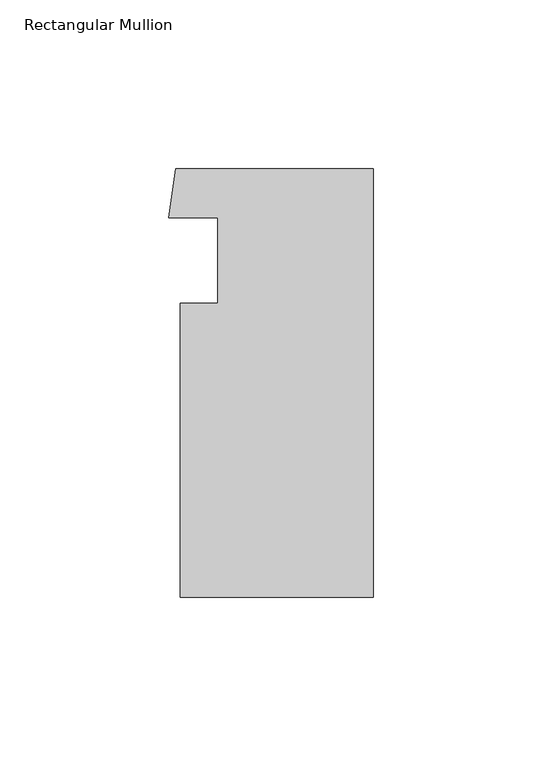
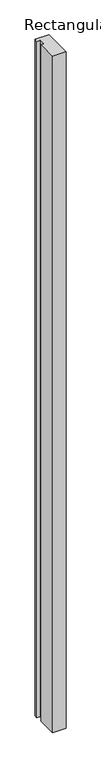
"""IFC4 building model written with IfcOpenShell, lengths in millimetres: member geometry, Rectangular Mullion."""

from ifc_helpers import new_model, si_unit, frame, origin, place, context, project, spatial, polyline, outline, extrude, source, transform, mapped, element, save


def rectangular_mullion_2ebcc153(model_context):
    return source(origin(), model_context, "Body", "SweptSolid", [
        extrude(outline(polyline([(-57.15, 20.8552434), (-46.0375, 20.8552434), (-46.0375, 46.217072), (-60.5514101, 46.217072), (-58.4903823, 60.7587684), (0.0, 60.7587684), (0.0, -66.2412316), (-57.15, -66.2412316), (-57.15, 20.8552434)])), frame((0.0, 0.0, -3048.0), z_axis=(0.0, 0.0, 1.0), x_axis=(1.0, 0.0, 0.0)), (0.0, 0.0, 1.0), 3048.0),
    ])


if __name__ == "__main__":
    model = new_model("IFC4")
    model_context = context("Model", 3, world=origin())
    ifc_project = project(units=[si_unit("LENGTHUNIT", "METRE", prefix="MILLI")], contexts=[model_context])
    site = spatial("IfcSite", under=ifc_project)
    building = spatial("IfcBuilding", under=site)
    placement = place(None, origin())
    rectangular_mullion_shape = rectangular_mullion_2ebcc153(model_context)
    element("IfcMember", 1, ObjectType="Rectangular Mullion", at=placement, inside=building, context=model_context, shape_type="MappedRepresentation", body=[
        mapped(rectangular_mullion_shape, transform((0.0, 0.0, 0.0), x_axis=(1.0, 0.0, 0.0), y_axis=(0.0, 1.0, 0.0), z_axis=(0.0, 0.0, 1.0))),
    ])
    save(model, "model.ifc")
